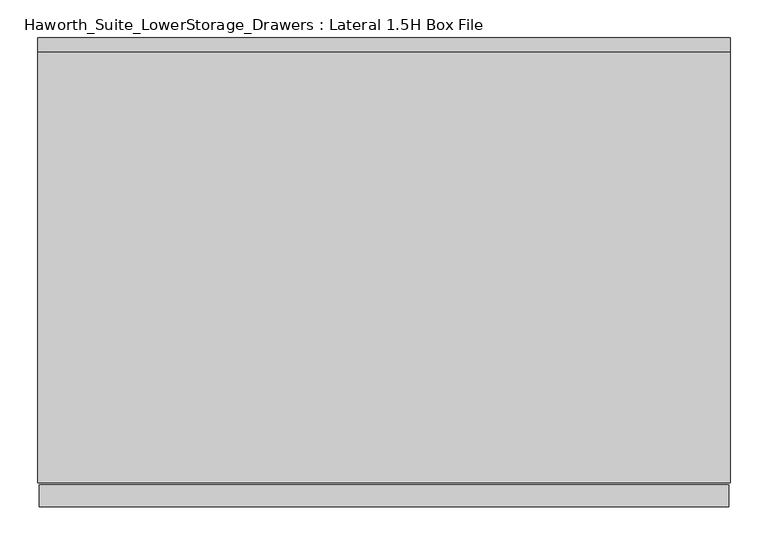
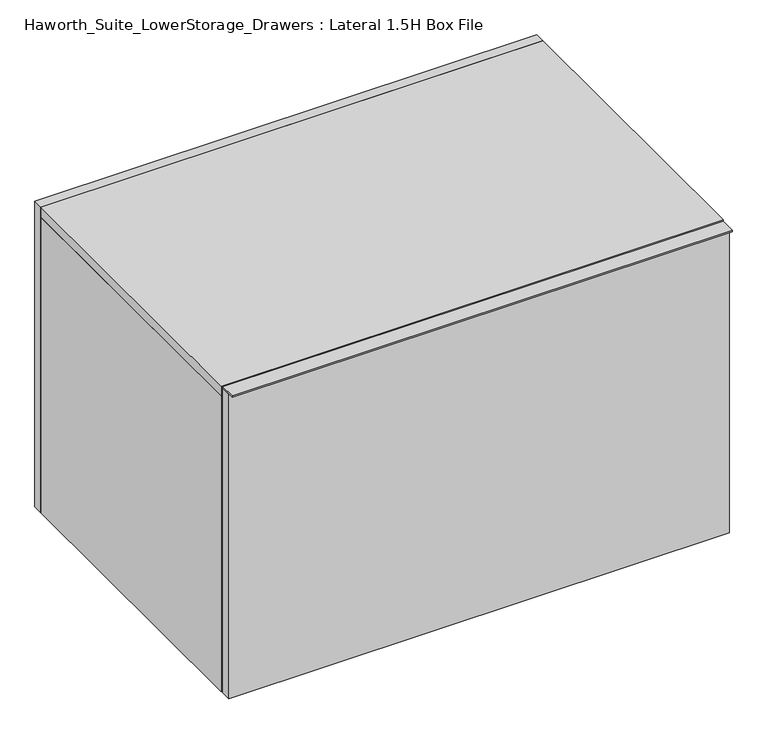
"""IFC4 building model written with IfcOpenShell, lengths in millimetres: furniture geometry, Haworth_Suite_LowerStorage_Drawers : Lateral 1.5H Box File."""

from ifc_helpers import new_model, si_unit, frame, origin, origin_with_axes, place, context, project, spatial, polyline, outline, extrude, source, transform, mapped, element, save


def haworth_suite_lowerstorage_drawers_lateral_1_5h_box_file_a773385d(model_context):
    return source(origin(), model_context, "Body", "SweptSolid", [
        extrude(outline(polyline([(442.9125, -631.825), (-468.3125, -631.825), (-468.3125, -603.25), (442.9125, -603.25), (442.9125, -631.825)])), frame((0.0, 0.0, 585.7875), z_axis=(0.0, 0.0, 1.0), x_axis=(1.0, 0.0, 0.0)), (0.0, 0.0, 1.0), 3.175),
        extrude(outline(polyline([(442.9125, -603.25), (442.9125, -622.3), (-468.3125, -622.3), (-468.3125, -603.25), (442.9125, -603.25)])), origin_with_axes(), (0.0, 0.0, 1.0), 585.7875),
        extrude(outline(polyline([(406.4, -587.375), (406.4, -206.375), (419.1, -206.375), (419.1, -587.375), (406.4, -587.375)])), frame((0.0, 0.0, 374.65), z_axis=(0.0, 0.0, 1.0), x_axis=(1.0, 0.0, 0.0)), (0.0, 0.0, 1.0), 101.6),
        extrude(outline(polyline([(-444.5, -206.375), (-431.8, -206.375), (-431.8, -587.375), (-444.5, -587.375), (-444.5, -206.375)])), frame((0.0, 0.0, 374.65), z_axis=(0.0, 0.0, 1.0), x_axis=(1.0, 0.0, 0.0)), (0.0, 0.0, 1.0), 101.6),
        extrude(outline(polyline([(-444.5, -206.375), (-444.5, -193.675), (419.1, -193.675), (419.1, -206.375), (-444.5, -206.375)])), frame((0.0, 0.0, 374.65), z_axis=(0.0, 0.0, 1.0), x_axis=(1.0, 0.0, 0.0)), (0.0, 0.0, 1.0), 101.6),
        extrude(outline(polyline([(-444.5, -600.075), (-444.5, -587.375), (419.1, -587.375), (419.1, -600.075), (-444.5, -600.075)])), frame((0.0, 0.0, 374.65), z_axis=(0.0, 0.0, 1.0), x_axis=(1.0, 0.0, 0.0)), (0.0, 0.0, 1.0), 101.6),
        extrude(outline(polyline([(-431.8, -587.375), (-431.8, -206.375), (406.4, -206.375), (406.4, -587.375), (-431.8, -587.375)])), frame((0.0, 0.0, 374.65), z_axis=(0.0, 0.0, 1.0), x_axis=(1.0, 0.0, 0.0)), (0.0, 0.0, 1.0), 12.7),
        extrude(outline(polyline([(406.4, -587.375), (406.4, -206.375), (419.1, -206.375), (419.1, -587.375), (406.4, -587.375)])), frame((0.0, 0.0, 50.8), z_axis=(0.0, 0.0, 1.0), x_axis=(1.0, 0.0, 0.0)), (0.0, 0.0, 1.0), 254.0),
        extrude(outline(polyline([(-444.5, -206.375), (-431.8, -206.375), (-431.8, -587.375), (-444.5, -587.375), (-444.5, -206.375)])), frame((0.0, 0.0, 50.8), z_axis=(0.0, 0.0, 1.0), x_axis=(1.0, 0.0, 0.0)), (0.0, 0.0, 1.0), 254.0),
        extrude(outline(polyline([(-444.5, -206.375), (-444.5, -193.675), (419.1, -193.675), (419.1, -206.375), (-444.5, -206.375)])), frame((0.0, 0.0, 50.8), z_axis=(0.0, 0.0, 1.0), x_axis=(1.0, 0.0, 0.0)), (0.0, 0.0, 1.0), 254.0),
        extrude(outline(polyline([(-444.5, -600.075), (-444.5, -587.375), (419.1, -587.375), (419.1, -600.075), (-444.5, -600.075)])), frame((0.0, 0.0, 50.8), z_axis=(0.0, 0.0, 1.0), x_axis=(1.0, 0.0, 0.0)), (0.0, 0.0, 1.0), 254.0),
        extrude(outline(polyline([(-431.8, -587.375), (-431.8, -206.375), (406.4, -206.375), (406.4, -587.375), (-431.8, -587.375)])), frame((0.0, 0.0, 50.8), z_axis=(0.0, 0.0, 1.0), x_axis=(1.0, 0.0, 0.0)), (0.0, 0.0, 1.0), 12.7),
        extrude(outline(polyline([(444.5, -31.75), (444.5, -600.075), (-469.9, -600.075), (-469.9, -31.75), (444.5, -31.75)])), frame((0.0, 0.0, 569.9125), z_axis=(0.0, 0.0, 1.0), x_axis=(1.0, 0.0, 0.0)), (0.0, 0.0, 1.0), 19.05),
        extrude(outline(polyline([(550.8625, 425.45), (550.8625, -450.85), (38.1, -450.85), (38.1, 425.45), (550.8625, 425.45)]), holes=[polyline([(449.2625, 323.85), (139.7, 323.85), (139.7, -349.25), (449.2625, -349.25), (449.2625, 323.85)])]), frame((0.0, -152.4, 0.0), z_axis=(0.0, 1.0, 0.0), x_axis=(0.0, 0.0, 1.0)), (0.0, 0.0, 1.0), 19.05),
        extrude(outline(polyline([(444.5, -12.7), (444.5, -31.75), (-469.9, -31.75), (-469.9, -12.7), (444.5, -12.7)])), origin_with_axes(), (0.0, 0.0, 1.0), 588.9625),
        extrude(outline(polyline([(425.45, -133.35), (425.45, -501.65), (-450.85, -501.65), (-450.85, -133.35), (425.45, -133.35)])), frame((0.0, 0.0, 550.8625), z_axis=(0.0, 0.0, 1.0), x_axis=(1.0, 0.0, 0.0)), (0.0, 0.0, 1.0), 19.05),
        extrude(outline(polyline([(425.45, -31.75), (425.45, -600.075), (-450.85, -600.075), (-450.85, -31.75), (425.45, -31.75)])), origin_with_axes(), (0.0, 0.0, 1.0), 38.1),
        extrude(outline(polyline([(-450.85, -31.75), (-450.85, -600.075), (-469.9, -600.075), (-469.9, -31.75), (-450.85, -31.75)])), origin_with_axes(), (0.0, 0.0, 1.0), 569.9125),
        extrude(outline(polyline([(444.5, -600.075), (425.45, -600.075), (425.45, -31.75), (444.5, -31.75), (444.5, -600.075)])), origin_with_axes(), (0.0, 0.0, 1.0), 569.9125),
    ])


if __name__ == "__main__":
    model = new_model("IFC4")
    model_context = context("Model", 3, world=origin())
    ifc_project = project(units=[si_unit("LENGTHUNIT", "METRE", prefix="MILLI")], contexts=[model_context])
    site = spatial("IfcSite", under=ifc_project)
    building = spatial("IfcBuilding", under=site)
    placement = place(None, origin())
    haworth_suite_lowerstorage_drawers_lateral_1_5h_box_file_shape = haworth_suite_lowerstorage_drawers_lateral_1_5h_box_file_a773385d(model_context)
    element("IfcFurniture", 1, ObjectType="Haworth_Suite_LowerStorage_Drawers : Lateral 1.5H Box File", at=placement, inside=building, context=model_context, shape_type="MappedRepresentation", body=[
        mapped(haworth_suite_lowerstorage_drawers_lateral_1_5h_box_file_shape, transform((0.0, 0.0, 0.0), x_axis=(1.0, 0.0, 0.0), y_axis=(0.0, 1.0, 0.0), z_axis=(0.0, 0.0, 1.0))),
    ])
    save(model, "model.ifc")
